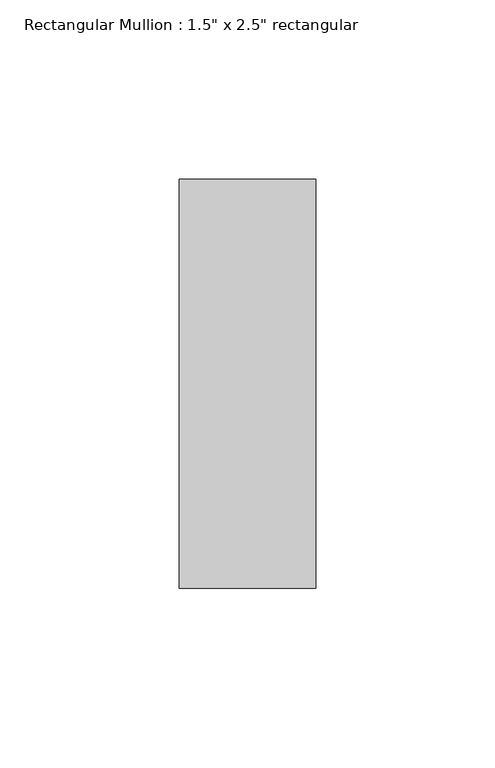
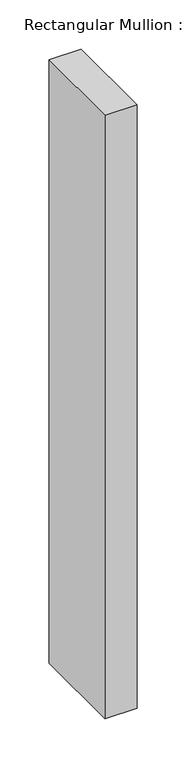
"""IFC4 building model written with IfcOpenShell, lengths in millimetres: member geometry."""

from ifc_helpers import new_model, si_unit, frame, origin, place, context, project, spatial, polyline, outline, extrude, source, transform, mapped, element, save


def member_20e7817e(model_context):
    return source(origin(), model_context, "Body", "SweptSolid", [
        extrude(outline(polyline([(19.05, 57.15), (19.05, -57.15), (-19.05, -57.15), (-19.05, 57.15), (19.05, 57.15)])), frame((0.0, 0.0, -751.4166667), z_axis=(0.0, 0.0, 1.0), x_axis=(1.0, 0.0, 0.0)), (0.0, 0.0, 1.0), 751.4166667),
    ])


if __name__ == "__main__":
    model = new_model("IFC4")
    model_context = context("Model", 3, world=origin())
    ifc_project = project(units=[si_unit("LENGTHUNIT", "METRE", prefix="MILLI")], contexts=[model_context])
    site = spatial("IfcSite", under=ifc_project)
    building = spatial("IfcBuilding", under=site)
    placement = place(None, origin())
    member_shape = member_20e7817e(model_context)
    element("IfcMember", 1, ObjectType="Rectangular Mullion : 1.5\" x 2.5\" rectangular", at=placement, inside=building, context=model_context, shape_type="MappedRepresentation", body=[
        mapped(member_shape, transform((0.0, 0.0, 0.0), x_axis=(1.0, 0.0, 0.0), y_axis=(0.0, 1.0, 0.0), z_axis=(0.0, 0.0, 1.0))),
    ])
    save(model, "model.ifc")
